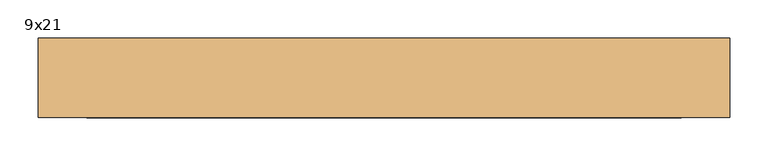
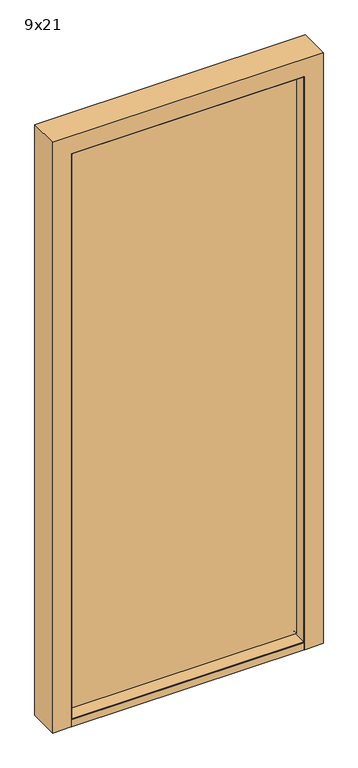
"""IFC4 building model written with IfcOpenShell, lengths in millimetres: door geometry, 9x21."""

from ifc_helpers import new_model, si_unit, frame, origin, place, context, project, spatial, polyline, circle_curve, ellipse_curve, faceted_brep, source, transform, mapped, element, save
from ifc_brep_helpers import plane_surface, cylinder_surface, revolved_surface, advanced_brep


def door_9x21_f455b374(model_context):
    return source(origin(), model_context, "Body", "SolidModel", [
        advanced_brep(
        [(500.0, 185.0, 0.0), (500.0, 80.0, 0.0), (438.0, 80.0, 0.0), (436.0, 82.0, 0.0), (436.0, 141.0, 0.0), (438.0, 143.0, 0.0), (452.0, 143.0, 0.0), (452.0, 183.0, 0.0), (454.0, 185.0, 0.0), (500.0, 185.0, 2100.0), (500.0, 80.0, 2100.0), (-410.0, 80.0, 2100.0), (-410.0, 80.0, 0.0), (-348.0, 80.0, 0.0), (-348.0, 80.0, 2038.0), (438.0, 80.0, 2038.0), (436.0, 82.0, 2036.0), (436.0, 141.0, 2036.0), (438.0, 143.0, 2038.0), (-348.0, 143.0, 2038.0), (-348.0, 143.0, 0.0), (-362.0, 143.0, 0.0), (-362.0, 143.0, 2052.0), (452.0, 143.0, 2052.0), (452.0, 183.0, 2052.0), (454.0, 185.0, 2054.0), (-364.0, 185.0, 2054.0), (-364.0, 185.0, 0.0), (-410.0, 185.0, 0.0), (-410.0, 185.0, 2100.0), (-362.0, 183.0, 0.0), (-346.0, 141.0, 0.0), (-346.0, 82.0, 0.0), (-346.0, 82.0, 2036.0), (-346.0, 141.0, 2036.0), (-362.0, 183.0, 2052.0)],
        [
            (0, 1),
            (1, 2),
            (2, 3, circle_curve(frame((438.0, 82.0, 0.0), z_axis=(0.0, 0.0, -1.0), x_axis=(0.0, -1.0, 0.0)), 2.0)),
            (3, 4),
            (4, 5, circle_curve(frame((438.0, 141.0, 0.0), z_axis=(0.0, 0.0, -1.0), x_axis=(0.0, -1.0, 0.0)), 2.0)),
            (5, 6),
            (6, 7),
            (7, 8, circle_curve(frame((454.0, 183.0, 0.0), z_axis=(0.0, 0.0, -1.0), x_axis=(0.0, -1.0, 0.0)), 2.0)),
            (8, 0),
            (0, 9),
            (9, 10),
            (10, 1),
            (10, 11),
            (11, 12),
            (12, 13),
            (13, 14),
            (14, 15),
            (15, 2),
            (15, 16, ellipse_curve(frame((438.0, 82.0, 2038.0), z_axis=(0.7071067811865475, 0.0, -0.7071067811865475), x_axis=(-0.7071067811865474, 0.0, -0.7071067811865476)), 2.8284271, 2.0)),
            (16, 3),
            (16, 17),
            (17, 4),
            (17, 18, ellipse_curve(frame((438.0, 141.0, 2038.0), z_axis=(0.7071067811865475, 0.0, -0.7071067811865475), x_axis=(-0.7071067811865474, 0.0, -0.7071067811865476)), 2.8284271, 2.0)),
            (18, 5),
            (18, 19),
            (19, 20),
            (20, 21),
            (21, 22),
            (22, 23),
            (23, 6),
            (23, 24),
            (24, 7),
            (24, 25, ellipse_curve(frame((454.0, 183.0, 2054.0), z_axis=(0.7071067811865475, 0.0, -0.7071067811865475), x_axis=(-0.7071067811865474, 0.0, -0.7071067811865476)), 2.8284271, 2.0)),
            (25, 8),
            (25, 26),
            (26, 27),
            (27, 28),
            (28, 29),
            (29, 9),
            (11, 29),
            (28, 12),
            (27, 30, circle_curve(frame((-364.0, 183.0, 0.0), z_axis=(0.0, 0.0, -1.0), x_axis=(0.0, -1.0, 0.0)), 2.0)),
            (30, 21),
            (20, 31, circle_curve(frame((-348.0, 141.0, 0.0), z_axis=(0.0, 0.0, -1.0), x_axis=(0.0, -1.0, 0.0)), 2.0)),
            (31, 32),
            (32, 13, circle_curve(frame((-348.0, 82.0, 0.0), z_axis=(0.0, 0.0, -1.0), x_axis=(0.0, -1.0, 0.0)), 2.0)),
            (33, 14, ellipse_curve(frame((-348.0, 82.0, 2038.0), z_axis=(-0.7071067811865475, 0.0, -0.7071067811865475), x_axis=(-0.7071067811865474, 0.0, 0.7071067811865476)), 2.8284271, 2.0)),
            (32, 33),
            (19, 34, ellipse_curve(frame((-348.0, 141.0, 2038.0), z_axis=(-0.7071067811865475, 0.0, -0.7071067811865475), x_axis=(-0.7071067811865474, 0.0, 0.7071067811865476)), 2.8284271, 2.0)),
            (34, 31),
            (35, 22),
            (30, 35),
            (26, 35, ellipse_curve(frame((-364.0, 183.0, 2054.0), z_axis=(-0.7071067811865475, 0.0, -0.7071067811865475), x_axis=(-0.7071067811865474, 0.0, 0.7071067811865476)), 2.8284271, 2.0)),
            (34, 33),
            (33, 16),
            (34, 17),
            (35, 24),
        ],
        [
            plane_surface(frame((500.0, 185.0, 0.0), z_axis=(0.0, 0.0, -1.0), x_axis=(0.0, -1.0, 0.0))),
            plane_surface(frame((500.0, 185.0, 0.0), z_axis=(1.0, 0.0, 0.0), x_axis=(0.0, 0.0, 1.0))),
            plane_surface(frame((500.0, 80.0, 0.0), z_axis=(0.0, -1.0, 0.0), x_axis=(0.0, 0.0, 1.0))),
            cylinder_surface(frame((438.0, 82.0, 0.0), z_axis=(0.0, 0.0, -1.0), x_axis=(0.0, -1.0, 0.0)), 2.0),
            plane_surface(frame((436.0, 82.0, 0.0), z_axis=(-1.0, 0.0, 0.0), x_axis=(0.0, 0.0, 1.0))),
            cylinder_surface(frame((438.0, 141.0, 0.0), z_axis=(0.0, 0.0, -1.0), x_axis=(0.0, -1.0, 0.0)), 2.0),
            plane_surface(frame((438.0, 143.0, 0.0), z_axis=(0.0, 1.0, 0.0), x_axis=(0.0, 0.0, 1.0))),
            plane_surface(frame((452.0, 143.0, 0.0), z_axis=(-1.0, 0.0, 0.0), x_axis=(0.0, 0.0, 1.0))),
            cylinder_surface(frame((454.0, 183.0, 0.0), z_axis=(0.0, 0.0, -1.0), x_axis=(0.0, -1.0, 0.0)), 2.0),
            plane_surface(frame((454.0, 185.0, 0.0), z_axis=(0.0, 1.0, 0.0), x_axis=(0.0, 0.0, 1.0))),
            plane_surface(frame((-410.0, 185.0, 2100.0), z_axis=(-1.0, 0.0, 0.0), x_axis=(0.0, 0.0, -1.0))),
            plane_surface(frame((-410.0, 185.0, 0.0), z_axis=(0.0, 0.0, -1.0), x_axis=(0.0, -1.0, 0.0))),
            cylinder_surface(frame((-348.0, 82.0, 2100.0), z_axis=(0.0, 0.0, 1.0), x_axis=(0.0, -1.0, 0.0)), 2.0),
            cylinder_surface(frame((-348.0, 141.0, 2100.0), z_axis=(0.0, 0.0, 1.0), x_axis=(0.0, -1.0, 0.0)), 2.0),
            plane_surface(frame((-362.0, 143.0, 2052.0), z_axis=(1.0, 0.0, 0.0), x_axis=(0.0, 0.0, -1.0))),
            cylinder_surface(frame((-364.0, 183.0, 2100.0), z_axis=(0.0, 0.0, 1.0), x_axis=(0.0, -1.0, 0.0)), 2.0),
            plane_surface(frame((-346.0, 82.0, 2036.0), z_axis=(1.0, 0.0, 0.0), x_axis=(0.0, 0.0, -1.0))),
            plane_surface(frame((500.0, 185.0, 2100.0), z_axis=(0.0, 0.0, 1.0), x_axis=(-1.0, 0.0, 0.0))),
            cylinder_surface(frame((500.0, 82.0, 2038.0), z_axis=(1.0, 0.0, 0.0), x_axis=(0.0, -1.0, 0.0)), 2.0),
            plane_surface(frame((436.0, 82.0, 2036.0), z_axis=(0.0, 0.0, -1.0), x_axis=(-1.0, 0.0, 0.0))),
            cylinder_surface(frame((500.0, 141.0, 2038.0), z_axis=(1.0, 0.0, 0.0), x_axis=(0.0, -1.0, 0.0)), 2.0),
            plane_surface(frame((452.0, 143.0, 2052.0), z_axis=(0.0, 0.0, -1.0), x_axis=(-1.0, 0.0, 0.0))),
            cylinder_surface(frame((500.0, 183.0, 2054.0), z_axis=(1.0, 0.0, 0.0), x_axis=(0.0, -1.0, 0.0)), 2.0),
        ],
        [
            (0, [[1, 2, 3, 4, 5, 6, 7, 8, 9]]),
            (1, [[-1, 10, 11, 12]]),
            (2, [[-2, -12, 13, 14, 15, 16, 17, 18]]),
            (3, [[-3, -18, 19, 20]]),
            (4, [[-4, -20, 21, 22]]),
            (5, [[-5, -22, 23, 24]]),
            (6, [[-6, -24, 25, 26, 27, 28, 29, 30]]),
            (7, [[-7, -30, 31, 32]]),
            (8, [[-8, -32, 33, 34]]),
            (9, [[-9, -34, 35, 36, 37, 38, 39, -10]]),
            (10, [[40, -38, 41, -14]]),
            (11, [[-37, 42, 43, -27, 44, 45, 46, -15, -41]]),
            (12, [[47, -16, -46, 48]]),
            (13, [[49, 50, -44, -26]]),
            (14, [[51, -28, -43, 52]]),
            (15, [[53, -52, -42, -36]]),
            (16, [[54, -48, -45, -50]]),
            (17, [[-11, -39, -40, -13]]),
            (18, [[-19, -17, -47, 55]]),
            (19, [[-21, -55, -54, 56]]),
            (20, [[-23, -56, -49, -25]]),
            (21, [[-31, -29, -51, 57]]),
            (22, [[-33, -57, -53, -35]]),
        ],
    ),
        advanced_brep(
        [(-362.0, 143.0, 15.0), (-362.0, 183.0, 15.0), (-362.0, 185.0, 13.0), (-362.0, 185.0, 0.0), (-362.0, 143.0, 0.0), (452.0, 185.0, 0.0), (452.0, 185.0, 13.0), (452.0, 183.0, 15.0), (452.0, 143.0, 15.0), (452.0, 143.0, 0.0), (-346.0, 82.0, 27.0), (436.0, 82.0, 27.0), (436.0, 141.0, 27.0), (-346.0, 141.0, 27.0), (-346.0, 143.0, 25.0), (436.0, 143.0, 25.0), (436.0, 143.0, 15.0), (-346.0, 143.0, 15.0), (436.0, 143.0, 0.0), (436.0, 80.0, 0.0), (-346.0, 80.0, 0.0), (-346.0, 143.0, 0.0), (436.0, 80.0, 25.0), (-346.0, 80.0, 25.0)],
        [
            (0, 1),
            (1, 2, circle_curve(frame((-362.0, 183.0, 13.0), z_axis=(-1.0, 0.0, 0.0), x_axis=(0.0, -1.0, 0.0)), 2.0)),
            (2, 3),
            (3, 4),
            (4, 0),
            (5, 6),
            (6, 7, circle_curve(frame((452.0, 183.0, 13.0), z_axis=(1.0, 0.0, 0.0), x_axis=(0.0, -1.0, 0.0)), 2.0)),
            (7, 8),
            (8, 9),
            (9, 5),
            (10, 11),
            (11, 12),
            (12, 13),
            (13, 10),
            (14, 15),
            (15, 16),
            (16, 17),
            (17, 14),
            (0, 17),
            (16, 8),
            (7, 1),
            (2, 6),
            (5, 3),
            (9, 18),
            (18, 19),
            (19, 20),
            (20, 21),
            (21, 4),
            (19, 22),
            (22, 23),
            (23, 20),
            (18, 16),
            (15, 12, circle_curve(frame((436.0, 141.0, 25.0), z_axis=(1.0, 0.0, 0.0), x_axis=(0.0, -1.0, 0.0)), 2.0)),
            (11, 22, circle_curve(frame((436.0, 82.0, 25.0), z_axis=(1.0, 0.0, 0.0), x_axis=(0.0, -1.0, 0.0)), 2.0)),
            (21, 17),
            (23, 10, circle_curve(frame((-346.0, 82.0, 25.0), z_axis=(-1.0, 0.0, 0.0), x_axis=(0.0, -1.0, 0.0)), 2.0)),
            (13, 14, circle_curve(frame((-346.0, 141.0, 25.0), z_axis=(-1.0, 0.0, 0.0), x_axis=(0.0, -1.0, 0.0)), 2.0)),
        ],
        [
            plane_surface(frame((-362.0, 80.0, 25.0), z_axis=(-1.0, 0.0, 0.0), x_axis=(0.0, 0.0, 1.0))),
            plane_surface(frame((452.0, 80.0, 25.0), z_axis=(1.0, 0.0, 0.0), x_axis=(0.0, 0.0, -1.0))),
            plane_surface(frame((-362.0, 82.0, 27.0), z_axis=(0.0, 0.0, 1.0), x_axis=(1.0, 0.0, 0.0))),
            plane_surface(frame((-362.0, 143.0, 25.0), z_axis=(0.0, 1.0, 0.0), x_axis=(1.0, 0.0, 0.0))),
            plane_surface(frame((-362.0, 143.0, 15.0), z_axis=(0.0, 0.0, 1.0), x_axis=(1.0, 0.0, 0.0))),
            plane_surface(frame((-362.0, 185.0, 13.0), z_axis=(0.0, 1.0, 0.0), x_axis=(1.0, 0.0, 0.0))),
            plane_surface(frame((-362.0, 185.0, 0.0), z_axis=(0.0, 0.0, -1.0), x_axis=(1.0, 0.0, 0.0))),
            plane_surface(frame((-362.0, 80.0, 0.0), z_axis=(0.0, -1.0, 0.0), x_axis=(1.0, 0.0, 0.0))),
            plane_surface(frame((436.0, 143.0, 27.0), z_axis=(1.0, 0.0, 0.0), x_axis=(0.0, 0.0, -1.0))),
            plane_surface(frame((452.0, 143.0, 27.0), z_axis=(0.0, -1.0, 0.0), x_axis=(0.0, 0.0, -1.0))),
            plane_surface(frame((-346.0, 143.0, 27.0), z_axis=(0.0, -1.0, 0.0), x_axis=(0.0, 0.0, -1.0))),
            plane_surface(frame((-346.0, 80.0, 27.0), z_axis=(-1.0, 0.0, 0.0), x_axis=(0.0, 0.0, -1.0))),
            cylinder_surface(frame((452.0, 82.0, 25.0), z_axis=(-1.0, 0.0, 0.0), x_axis=(0.0, -1.0, 0.0)), 2.0),
            cylinder_surface(frame((452.0, 141.0, 25.0), z_axis=(-1.0, 0.0, 0.0), x_axis=(0.0, -1.0, 0.0)), 2.0),
            cylinder_surface(frame((452.0, 183.0, 13.0), z_axis=(-1.0, 0.0, 0.0), x_axis=(0.0, -1.0, 0.0)), 2.0),
        ],
        [
            (0, [[1, 2, 3, 4, 5]]),
            (1, [[6, 7, 8, 9, 10]]),
            (2, [[11, 12, 13, 14]]),
            (3, [[15, 16, 17, 18]]),
            (4, [[-1, 19, -17, 20, -8, 21]]),
            (5, [[-3, 22, -6, 23]]),
            (6, [[-23, -10, 24, 25, 26, 27, 28, -4]]),
            (7, [[-26, 29, 30, 31]]),
            (8, [[32, -16, 33, -12, 34, -29, -25]]),
            (9, [[-32, -24, -9, -20]]),
            (10, [[35, -19, -5, -28]]),
            (11, [[-35, -27, -31, 36, -14, 37, -18]]),
            (12, [[-11, -36, -30, -34]]),
            (13, [[-15, -37, -13, -33]]),
            (14, [[-2, -21, -7, -22]]),
        ],
    ),
        faceted_brep([(450.0468149, 147.5, 18.0), (-360.0468149, 147.5, 18.0), (-360.0468149, 179.5, 18.0), (-358.9468149, 185.0, 18.0), (448.9468149, 185.0, 18.0), (450.0468149, 179.5, 18.0), (450.0468149, 147.5, 2049.0), (-360.0468149, 147.5, 2049.0), (-340.0, 147.5, 2029.0), (430.0, 147.5, 2029.0), (430.0, 147.5, 38.0), (-340.0, 147.5, 38.0), (-360.0468149, 179.5, 2049.0), (-358.9468149, 185.0, 2049.0), (448.9468149, 185.0, 2049.0), (450.0468149, 179.5, 2049.0), (-346.0, 123.0, 2035.0), (-346.0, 123.0, 32.0), (436.0, 123.0, 32.0), (436.0, 123.0, 2035.0), (-346.0, 144.5, 2035.0), (-346.0, 144.5, 32.0), (436.0, 144.5, 32.0), (436.0, 144.5, 2035.0), (430.0, 144.5, 2029.0), (-340.0, 144.5, 2029.0), (-340.0, 144.5, 38.0), (430.0, 144.5, 38.0)], [[[0, 1, 2, 3, 4, 5]], [[6, 7, 1, 0], [8, 9, 10, 11]], [[1, 7, 12, 2]], [[12, 13, 3, 2]], [[13, 14, 4, 3]], [[14, 15, 5, 4]], [[15, 6, 0, 5]], [[16, 17, 18, 19]], [[20, 21, 17, 16]], [[22, 23, 19, 18]], [[7, 6, 15, 14, 13, 12]], [[18, 17, 21, 22]], [[23, 22, 21, 20], [24, 25, 26, 27]], [[9, 24, 27, 10]], [[26, 11, 10, 27]], [[25, 8, 11, 26]], [[9, 8, 25, 24]], [[16, 19, 23, 20]]]),
        advanced_brep(
        [(442.5468149, 143.0, 2041.5468149), (441.0468149, 141.5, 2040.0468149), (441.0468149, 141.5, 26.9531851), (442.5468149, 143.0, 25.4531851), (-351.0468149, 141.5, 26.9531851), (-352.5468149, 143.0, 25.4531851), (440.8263343, 139.1541825, 27.1736657), (-350.8263343, 139.1541825, 27.1736657), (-351.0468149, 141.5, 2040.0468149), (-352.5468149, 143.0, 2041.5468149), (448.2207885, 143.3010724, 19.7792115), (-358.2207885, 143.3010724, 19.7792115), (448.2207885, 143.3010724, 2047.2207885), (-358.2207885, 143.3010724, 2047.2207885), (447.5213131, 147.2481121, 20.4786869), (-357.5213131, 147.2481121, 20.4786869), (447.5213131, 147.2481121, 2046.5213131), (-357.5213131, 147.2481121, 2046.5213131), (440.489551, 147.4434505, 27.510449), (-350.489551, 147.4434505, 27.510449), (440.489551, 147.4434505, 2039.489551), (-350.489551, 147.4434505, 2039.489551), (431.0702573, 147.4434505, 36.9297427), (431.0702573, 147.4434505, 2030.0702573), (-341.0702573, 147.4434505, 2030.0702573), (-341.0702573, 147.4434505, 36.9297427), (430.377437, 146.2434505, 2029.377437), (430.377437, 146.2434505, 37.622563), (-340.377437, 146.2434505, 37.622563), (-340.377437, 146.2434505, 2029.377437), (431.3840186, 144.5, 36.6159814), (-341.3840186, 144.5, 36.6159814), (431.3840186, 144.5, 2030.3840186), (-341.3840186, 144.5, 2030.3840186), (436.0, 144.5, 32.0), (436.0, 144.5, 2035.0), (-346.0, 144.5, 2035.0), (-346.0, 144.5, 32.0), (436.0, 142.4762942, 2035.0), (436.0, 142.4762942, 32.0), (-346.0, 142.4762942, 32.0), (-346.0, 142.4762942, 2035.0), (436.0798941, 138.9043699, 31.9201059), (-346.0798941, 138.9043699, 31.9201059), (436.0798941, 138.9043699, 2035.0798941), (-346.0798941, 138.9043699, 2035.0798941), (440.8263343, 139.1541825, 2039.8263343), (-350.8263343, 139.1541825, 2039.8263343)],
        [
            (0, 1, ellipse_curve(frame((442.5468149, 141.5, 2041.5468149), z_axis=(-0.7071067811865475, 0.0, 0.7071067811865475), x_axis=(-0.7071067811865474, 0.0, -0.7071067811865476)), 2.1213203, 1.5)),
            (1, 2),
            (2, 3, ellipse_curve(frame((442.5468149, 141.5, 25.4531851), z_axis=(-0.7071067811865475, 0.0, -0.7071067811865475), x_axis=(0.7071067811865474, 0.0, -0.7071067811865476)), 2.1213203, 1.5)),
            (3, 0),
            (2, 4),
            (4, 5, ellipse_curve(frame((-352.5468149, 141.5, 25.4531851), z_axis=(-0.7071067811865475, 0.0, 0.7071067811865475), x_axis=(-0.7071067811865476, 0.0, -0.7071067811865474)), 2.1213203, 1.5)),
            (5, 3),
            (2, 6),
            (6, 7),
            (7, 4),
            (4, 8),
            (8, 9, ellipse_curve(frame((-352.5468149, 141.5, 2041.5468149), z_axis=(0.7071067811865475, 0.0, 0.7071067811865475), x_axis=(-0.7071067811865474, 0.0, 0.7071067811865476)), 2.1213203, 1.5)),
            (9, 5),
            (10, 3),
            (5, 11),
            (11, 10),
            (12, 0),
            (10, 12),
            (9, 13),
            (13, 11),
            (14, 10, ellipse_curve(frame((447.4757363, 145.2045365, 20.5242637), z_axis=(-0.7071067811865475, 0.0, -0.7071067811865475), x_axis=(0.7071067811865476, 0.0, -0.7071067811865474)), 2.890771, 2.0440838)),
            (11, 15, ellipse_curve(frame((-357.4757363, 145.2045365, 20.5242637), z_axis=(0.7071067811865475, 0.0, -0.7071067811865475), x_axis=(0.7071067811865476, 0.0, 0.7071067811865474)), 2.890771, 2.0440838)),
            (15, 14),
            (16, 12, ellipse_curve(frame((447.4757363, 145.2045365, 2046.4757363), z_axis=(0.7071067811865475, 0.0, -0.7071067811865475), x_axis=(0.7071067811865474, 0.0, 0.7071067811865476)), 2.890771, 2.0440838)),
            (14, 16),
            (13, 17, ellipse_curve(frame((-357.4757363, 145.2045365, 2046.4757363), z_axis=(-0.7071067811865475, 0.0, -0.7071067811865475), x_axis=(0.7071067811865474, 0.0, -0.7071067811865476)), 2.890771, 2.0440838)),
            (17, 15),
            (18, 14),
            (15, 19),
            (19, 18),
            (20, 16),
            (18, 20),
            (17, 21),
            (21, 19),
            (21, 20),
            (22, 23),
            (23, 24),
            (24, 25),
            (25, 22),
            (26, 23, ellipse_curve(frame((431.0702573, 146.6434505, 2030.0702573), z_axis=(0.7071067811865475, 0.0, -0.7071067811865475), x_axis=(0.7071067811865474, 0.0, 0.7071067811865476)), 1.1313708, 0.8)),
            (22, 27, ellipse_curve(frame((431.0702573, 146.6434505, 36.9297427), z_axis=(0.7071067811865475, 0.0, 0.7071067811865475), x_axis=(-0.7071067811865474, 0.0, 0.7071067811865476)), 1.1313708, 0.8)),
            (27, 26),
            (25, 28, ellipse_curve(frame((-341.0702573, 146.6434505, 36.9297427), z_axis=(0.7071067811865475, 0.0, -0.7071067811865475), x_axis=(0.7071067811865476, 0.0, 0.7071067811865474)), 1.1313708, 0.8)),
            (28, 27),
            (24, 29, ellipse_curve(frame((-341.0702573, 146.6434505, 2030.0702573), z_axis=(-0.7071067811865475, 0.0, -0.7071067811865475), x_axis=(0.7071067811865474, 0.0, -0.7071067811865476)), 1.1313708, 0.8)),
            (29, 28),
            (30, 27),
            (28, 31),
            (31, 30),
            (32, 26),
            (30, 32),
            (29, 33),
            (33, 31),
            (34, 35),
            (35, 36),
            (36, 37),
            (37, 34),
            (33, 32),
            (38, 35),
            (34, 39),
            (39, 38),
            (37, 40),
            (40, 39),
            (36, 41),
            (41, 40),
            (42, 39),
            (40, 43),
            (43, 42),
            (44, 38),
            (42, 44),
            (41, 45),
            (45, 43),
            (6, 42, ellipse_curve(frame((438.4085978, 139.8750873, 29.5914022), z_axis=(-0.7071067811865475, 0.0, -0.7071067811865475), x_axis=(0.7071067811865476, 0.0, -0.7071067811865474)), 3.5679555, 2.5229256)),
            (43, 7, ellipse_curve(frame((-348.4085978, 139.8750873, 29.5914022), z_axis=(0.7071067811865475, 0.0, -0.7071067811865475), x_axis=(0.7071067811865476, 0.0, 0.7071067811865474)), 3.5679555, 2.5229256)),
            (46, 44, ellipse_curve(frame((438.4085978, 139.8750873, 2037.4085978), z_axis=(0.7071067811865475, 0.0, -0.7071067811865475), x_axis=(0.7071067811865474, 0.0, 0.7071067811865476)), 3.5679555, 2.5229256)),
            (6, 46),
            (45, 47, ellipse_curve(frame((-348.4085978, 139.8750873, 2037.4085978), z_axis=(-0.7071067811865475, 0.0, -0.7071067811865475), x_axis=(0.7071067811865474, 0.0, -0.7071067811865476)), 3.5679555, 2.5229256)),
            (47, 7),
            (1, 46),
            (47, 8),
            (8, 1),
            (0, 9),
            (12, 13),
            (16, 17),
            (26, 29),
            (38, 41),
            (44, 45),
            (46, 47),
        ],
        [
            revolved_surface(polyline([(442.5468149, 143.0, 23.95318513080133), (442.5468149, 143.0, 2043.0468148691987)]), (442.5468149, 141.5, 2025.5), (0.0, 0.0, -1.0)),
            revolved_surface(polyline([(-354.04681486919924, 143.0, 25.4531851), (444.0468148691987, 143.0, 25.4531851)]), (426.5, 141.5, 25.4531851), (-1.0000000000000002, 0.0, 0.0)),
            plane_surface(frame((440.8263343, 139.1541825, 27.1736657), z_axis=(0.0, -0.09357641007084004, -0.9956121009099146), x_axis=(-1.0, 0.0, 0.0))),
            revolved_surface(polyline([(-352.5468149, 143.0, 2043.0468148691987), (-352.5468149, 143.0, 23.95318513080132)]), (-352.5468149, 141.5, 41.5), (0.0, 0.0, 1.0)),
            plane_surface(frame((442.5468149, 143.0, 25.4531851), z_axis=(0.0, -0.9985951781835676, -0.05298745236873386), x_axis=(-1.0, 0.0, 0.0))),
            plane_surface(frame((442.5468149, 143.0, 2041.5468149), z_axis=(0.05298745236873669, -0.9985951781835675, 0.0), x_axis=(0.0, 0.0, -1.0))),
            plane_surface(frame((-352.5468149, 143.0, 25.4531851), z_axis=(-0.05298745236873101, -0.9985951781835678, 0.0), x_axis=(0.0, 0.0, 1.0))),
            cylinder_surface(frame((426.5, 145.2045365, 20.5242637), z_axis=(1.0000000000000002, 0.0, 0.0), x_axis=(0.0, 1.0000000000000002, 0.0)), 2.0440838),
            cylinder_surface(frame((447.4757363, 145.2045365, 2025.5), z_axis=(0.0, 0.0, 1.0), x_axis=(0.0, 1.0000000000000002, 0.0)), 2.0440838),
            cylinder_surface(frame((-357.4757363, 145.2045365, 41.5), z_axis=(0.0, 0.0, -1.0), x_axis=(0.0, 1.0000000000000002, 0.0)), 2.0440838),
            plane_surface(frame((447.5213131, 147.2481121, 20.4786869), z_axis=(0.0, 0.9996143745976422, -0.027768725173559834), x_axis=(-1.0, 0.0, 0.0))),
            plane_surface(frame((447.5213131, 147.2481121, 2046.5213131), z_axis=(0.027768725173556986, 0.9996143745976424, 0.0), x_axis=(0.0, 0.0, -1.0))),
            plane_surface(frame((-357.5213131, 147.2481121, 20.4786869), z_axis=(-0.02776872517356267, 0.9996143745976421, 0.0), x_axis=(0.0, 0.0, 1.0))),
            plane_surface(frame((440.489551, 147.4434505, 2039.489551), z_axis=(0.0, 1.0, 0.0), x_axis=(0.0, 0.0, -1.0))),
            cylinder_surface(frame((431.0702573, 146.6434505, 2025.5), z_axis=(0.0, 0.0, 1.0), x_axis=(0.0, 1.0000000000000002, 0.0)), 0.8),
            cylinder_surface(frame((426.5, 146.6434505, 36.9297427), z_axis=(1.0000000000000002, 0.0, 0.0), x_axis=(0.0, 1.0000000000000002, 0.0)), 0.8),
            cylinder_surface(frame((-341.0702573, 146.6434505, 41.5), z_axis=(0.0, 0.0, -1.0), x_axis=(0.0, 1.0000000000000002, 0.0)), 0.8),
            plane_surface(frame((430.377437, 146.2434505, 37.622563), z_axis=(0.0, -0.49999999999999006, 0.8660254037844444), x_axis=(-1.0, 0.0, 0.0))),
            plane_surface(frame((430.377437, 146.2434505, 2029.377437), z_axis=(-0.8660254037844429, -0.4999999999999926, 0.0), x_axis=(0.0, 0.0, -1.0))),
            plane_surface(frame((-340.377437, 146.2434505, 37.622563), z_axis=(0.8660254037844458, -0.49999999999998773, 0.0), x_axis=(0.0, 0.0, 1.0))),
            plane_surface(frame((431.3840186, 144.5, 2030.3840186), z_axis=(0.0, -1.0, 0.0), x_axis=(0.0, 0.0, -1.0))),
            plane_surface(frame((436.0, 144.5, 2035.0), z_axis=(-1.0, 0.0, 0.0), x_axis=(0.0, 0.0, -1.0))),
            plane_surface(frame((436.0, 144.5, 32.0), z_axis=(0.0, 0.0, 1.0), x_axis=(-1.0, 0.0, 0.0))),
            plane_surface(frame((-346.0, 144.5, 32.0), z_axis=(1.0, 0.0, 0.0), x_axis=(0.0, 0.0, 1.0))),
            plane_surface(frame((436.0, 142.4762942, 32.0), z_axis=(0.0, -0.022361661592416582, 0.9997499467821073), x_axis=(-1.0, 0.0, 0.0))),
            plane_surface(frame((436.0, 142.4762942, 2035.0), z_axis=(-0.9997499467821072, -0.022361661592419427, 0.0), x_axis=(0.0, 0.0, -1.0))),
            plane_surface(frame((-346.0, 142.4762942, 32.0), z_axis=(0.9997499467821074, -0.022361661592413744, 0.0), x_axis=(0.0, 0.0, 1.0))),
            cylinder_surface(frame((426.5, 139.8750873, 29.5914022), z_axis=(1.0000000000000002, 0.0, 0.0), x_axis=(0.0, 1.0000000000000002, 0.0)), 2.5229256),
            cylinder_surface(frame((438.4085978, 139.8750873, 2025.5), z_axis=(0.0, 0.0, 1.0), x_axis=(0.0, 1.0000000000000002, 0.0)), 2.5229256),
            cylinder_surface(frame((-348.4085978, 139.8750873, 41.5), z_axis=(0.0, 0.0, -1.0), x_axis=(0.0, 1.0000000000000002, 0.0)), 2.5229256),
            plane_surface(frame((440.8263343, 139.1541825, 2039.8263343), z_axis=(0.9956121009099148, -0.09357641007083721, 0.0), x_axis=(0.0, 0.0, -1.0))),
            plane_surface(frame((-350.8263343, 139.1541825, 27.1736657), z_axis=(-0.9956121009099144, -0.0935764100708429, 0.0), x_axis=(0.0, 0.0, 1.0))),
            revolved_surface(polyline([(444.04681486919924, 143.0, 2041.5468149), (-354.0468148691987, 143.0, 2041.5468149)]), (-336.5, 141.5, 2041.5468149), (1.0000000000000002, 0.0, 0.0)),
            plane_surface(frame((-352.5468149, 143.0, 2041.5468149), z_axis=(0.0, -0.9985951781835676, 0.05298745236873386), x_axis=(1.0, 0.0, 0.0))),
            cylinder_surface(frame((-336.5, 145.2045365, 2046.4757363), z_axis=(-1.0000000000000002, 0.0, 0.0), x_axis=(0.0, 1.0000000000000002, 0.0)), 2.0440838),
            plane_surface(frame((-357.5213131, 147.2481121, 2046.5213131), z_axis=(0.0, 0.9996143745976422, 0.027768725173559834), x_axis=(1.0, 0.0, 0.0))),
            cylinder_surface(frame((-336.5, 146.6434505, 2030.0702573), z_axis=(-1.0000000000000002, 0.0, 0.0), x_axis=(0.0, 1.0000000000000002, 0.0)), 0.8),
            plane_surface(frame((-340.377437, 146.2434505, 2029.377437), z_axis=(0.0, -0.49999999999999006, -0.8660254037844444), x_axis=(1.0, 0.0, 0.0))),
            plane_surface(frame((-346.0, 144.5, 2035.0), z_axis=(0.0, 0.0, -1.0), x_axis=(1.0, 0.0, 0.0))),
            plane_surface(frame((-346.0, 142.4762942, 2035.0), z_axis=(0.0, -0.022361661592416582, -0.9997499467821073), x_axis=(1.0, 0.0, 0.0))),
            cylinder_surface(frame((-336.5, 139.8750873, 2037.4085978), z_axis=(-1.0000000000000002, 0.0, 0.0), x_axis=(0.0, 1.0000000000000002, 0.0)), 2.5229256),
            plane_surface(frame((-350.8263343, 139.1541825, 2039.8263343), z_axis=(0.0, -0.09357641007084005, 0.9956121009099147), x_axis=(1.0, 0.0, 0.0))),
        ],
        [
            (0, [[1, 2, 3, 4]]),
            (1, [[-3, 5, 6, 7]]),
            (2, [[8, 9, 10, -5]]),
            (3, [[-6, 11, 12, 13]]),
            (4, [[14, -7, 15, 16]]),
            (5, [[17, -4, -14, 18]]),
            (6, [[-15, -13, 19, 20]]),
            (7, [[21, -16, 22, 23]]),
            (8, [[24, -18, -21, 25]]),
            (9, [[-22, -20, 26, 27]]),
            (10, [[28, -23, 29, 30]]),
            (11, [[31, -25, -28, 32]]),
            (12, [[-29, -27, 33, 34]]),
            (13, [[-34, 35, -32, -30], [36, 37, 38, 39]]),
            (14, [[40, -36, 41, 42]]),
            (15, [[-41, -39, 43, 44]]),
            (16, [[-43, -38, 45, 46]]),
            (17, [[47, -44, 48, 49]]),
            (18, [[50, -42, -47, 51]]),
            (19, [[-48, -46, 52, 53]]),
            (20, [[54, 55, 56, 57], [-53, 58, -51, -49]]),
            (21, [[59, -54, 60, 61]]),
            (22, [[-60, -57, 62, 63]]),
            (23, [[-62, -56, 64, 65]]),
            (24, [[66, -63, 67, 68]]),
            (25, [[69, -61, -66, 70]]),
            (26, [[-67, -65, 71, 72]]),
            (27, [[73, -68, 74, -9]]),
            (28, [[75, -70, -73, 76]]),
            (29, [[-74, -72, 77, 78]]),
            (30, [[79, -76, -8, -2]]),
            (31, [[-10, -78, 80, -11]]),
            (32, [[-12, 81, -1, 82]]),
            (33, [[-19, -82, -17, 83]]),
            (34, [[-26, -83, -24, 84]]),
            (35, [[-33, -84, -31, -35]]),
            (36, [[-45, -37, -40, 85]]),
            (37, [[-52, -85, -50, -58]]),
            (38, [[-64, -55, -59, 86]]),
            (39, [[-71, -86, -69, 87]]),
            (40, [[-77, -87, -75, 88]]),
            (41, [[-80, -88, -79, -81]]),
        ],
    ),
    ])


if __name__ == "__main__":
    model = new_model("IFC4")
    model_context = context("Model", 3, world=origin())
    ifc_project = project(units=[si_unit("LENGTHUNIT", "METRE", prefix="MILLI")], contexts=[model_context])
    site = spatial("IfcSite", under=ifc_project)
    building = spatial("IfcBuilding", under=site)
    placement = place(None, origin())
    door_9x21_shape = door_9x21_f455b374(model_context)
    element("IfcDoor", 1, ObjectType="9x21", at=placement, inside=building, context=model_context, shape_type="MappedRepresentation", body=[
        mapped(door_9x21_shape, transform((0.0, 0.0, 0.0), x_axis=(1.0, 0.0, 0.0), y_axis=(0.0, 1.0, 0.0), z_axis=(0.0, 0.0, 1.0))),
    ])
    save(model, "model.ifc")
